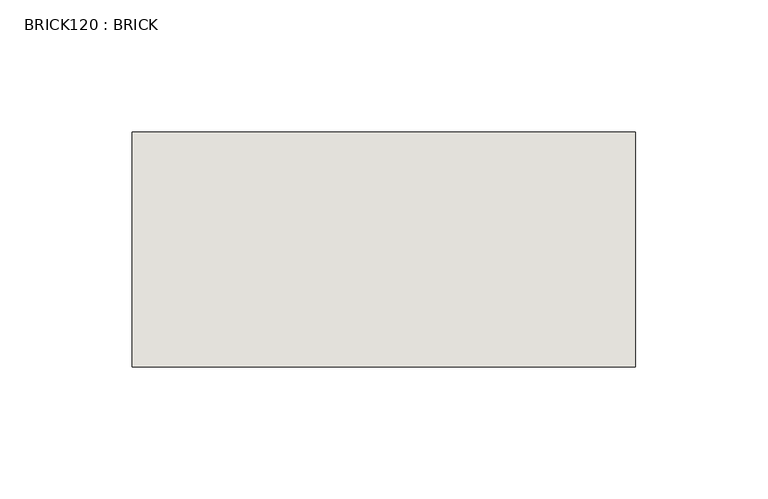
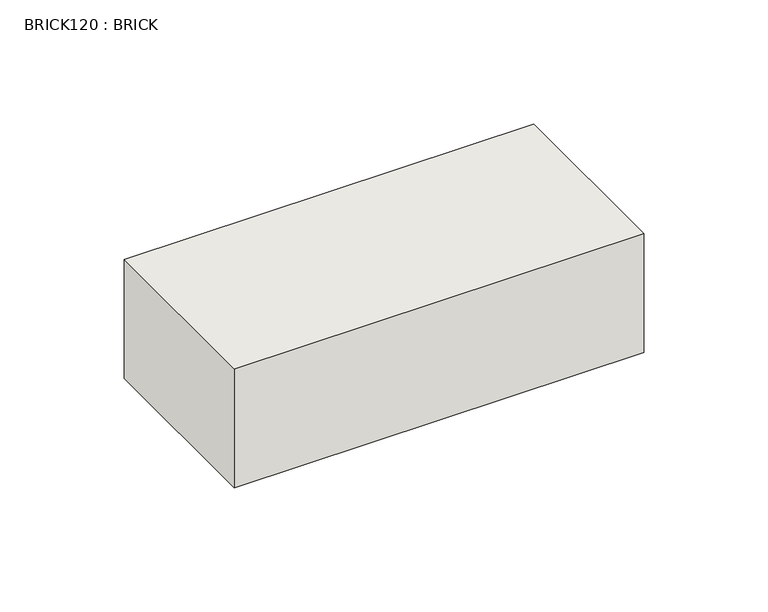
"""IFC4 building model written with IfcOpenShell, lengths in millimetres: wall geometry, BRICK120 : BRICK."""

from ifc_helpers import new_model, si_unit, frame, origin, place, context, project, spatial, polyline, outline, extrude, source, transform, mapped, element, save


def brick120_brick_94416d2c(model_context):
    return source(origin(), model_context, "Body", "SweptSolid", [
        extrude(outline(polyline([(732.1272594, 2586.2274125), (922.6272594, 2586.2274125), (922.6272594, 2497.3274125), (732.1272594, 2497.3274125), (732.1272594, 2586.2274125)])), frame((0.0, 0.0, 423.2671875), z_axis=(0.0, 0.0, 1.0), x_axis=(1.0, 0.0, 0.0)), (0.0, 0.0, 1.0), 58.4398437),
    ])


if __name__ == "__main__":
    model = new_model("IFC4")
    model_context = context("Model", 3, world=origin())
    ifc_project = project(units=[si_unit("LENGTHUNIT", "METRE", prefix="MILLI")], contexts=[model_context])
    site = spatial("IfcSite", under=ifc_project)
    building = spatial("IfcBuilding", under=site)
    placement = place(None, origin())
    brick120_brick_shape = brick120_brick_94416d2c(model_context)
    element("IfcWall", 1, ObjectType="BRICK120 : BRICK", at=placement, inside=building, context=model_context, shape_type="MappedRepresentation", body=[
        mapped(brick120_brick_shape, transform((0.0, 0.0, 0.0), x_axis=(1.0, 0.0, 0.0), y_axis=(0.0, 1.0, 0.0), z_axis=(0.0, 0.0, 1.0))),
    ])
    save(model, "model.ifc")
